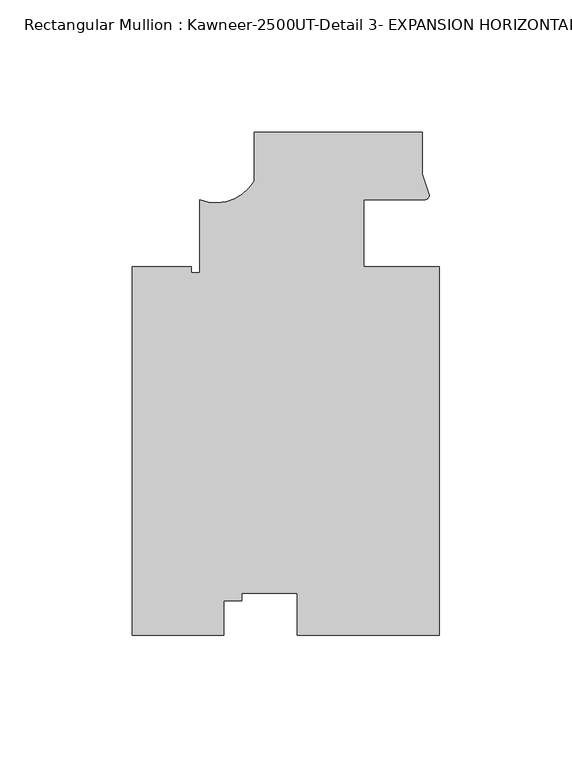
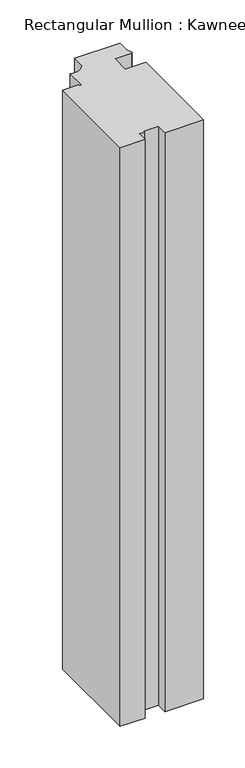
"""IFC4 building model written with IfcOpenShell, lengths in millimetres: member geometry, Rectangular Mullion : Kawneer-2500UT-Detail 3- EXPANSION HORIZONTAL-1 INCH INFILL."""

from ifc_helpers import new_model, si_unit, point, frame, frame_2d, origin, place, context, project, spatial, polyline, circle_curve, trimmed, segment, composite_curve, outline, extrude, source, transform, mapped, element, save


def rectangular_mullion_kawneer_2500ut_detail_3_expansion_2d9f84d4(model_context):
    return source(origin(), model_context, "Body", "SweptSolid", [
        extrude(outline(composite_curve([segment(polyline([(26.807523, -25.4123588), (26.807523, -164.6039062), (-26.807523, -164.6039063), (-26.807523, -148.7055018), (-47.7541759, -148.7055018), (-47.7541759, -151.560107), (-54.6121757, -151.560107), (-54.6121757, -164.6039062), (-89.1032866, -164.6039062), (-89.1032866, -25.4123588), (-66.8783331, -25.4119062), (-66.8782866, -27.6979062), (-63.7033859, -27.6979062), (-63.7033859, -0.0119118)]), True, "CONTINUOUS"), segment(trimmed(circle_curve(frame_2d((-57.4484596, 15.5211737)), 16.7451739), [point((-63.7033859, -0.0119118))], [point((-43.042477, 6.9848679))], True, "CARTESIAN"), True, "CONTINUOUS"), segment(polyline([(-43.042477, 6.9848679), (-43.042477, 25.3880937), (20.457523, 25.3880937), (20.457523, 9.5131914), (23.1083782, 1.576523)]), True, "CONTINUOUS"), segment(trimmed(circle_curve(frame_2d((21.4087603, 1.6895058)), 1.703369), [point((23.1083782, 1.576523))], [point((21.4916518, -0.0118452))], False, "CARTESIAN"), True, "CONTINUOUS"), segment(trimmed(circle_curve(frame_2d((16.1567712, -461.0197259)), 461.0387479), [point((21.4916518, -0.0118452))], [point((-1.767477, -0.329539))], True, "CARTESIAN"), True, "CONTINUOUS"), segment(polyline([(-1.767477, -0.329539), (-1.767477, -25.411777), (26.807523, -25.4123588)]), True, "CONTINUOUS")], self_intersect=False)), frame((0.0, 0.0, -850.9), z_axis=(0.0, 0.0, 1.0), x_axis=(1.0, 0.0, 0.0)), (0.0, 0.0, 1.0), 850.9),
    ])


if __name__ == "__main__":
    model = new_model("IFC4")
    model_context = context("Model", 3, world=origin())
    ifc_project = project(units=[si_unit("LENGTHUNIT", "METRE", prefix="MILLI")], contexts=[model_context])
    site = spatial("IfcSite", under=ifc_project)
    building = spatial("IfcBuilding", under=site)
    placement = place(None, origin())
    rectangular_mullion_kawneer_2500ut_detail_3_expansion_shape = rectangular_mullion_kawneer_2500ut_detail_3_expansion_2d9f84d4(model_context)
    element("IfcMember", 1, ObjectType="Rectangular Mullion : Kawneer-2500UT-Detail 3- EXPANSION HORIZONTAL-1 INCH INFILL", at=placement, inside=building, context=model_context, shape_type="MappedRepresentation", body=[
        mapped(rectangular_mullion_kawneer_2500ut_detail_3_expansion_shape, transform((0.0, 0.0, 0.0), x_axis=(1.0, 0.0, 0.0), y_axis=(0.0, 1.0, 0.0), z_axis=(0.0, 0.0, 1.0))),
    ])
    save(model, "model.ifc")
